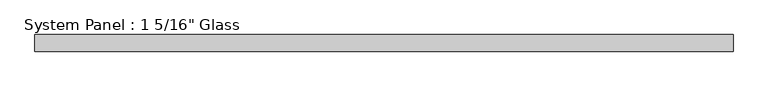
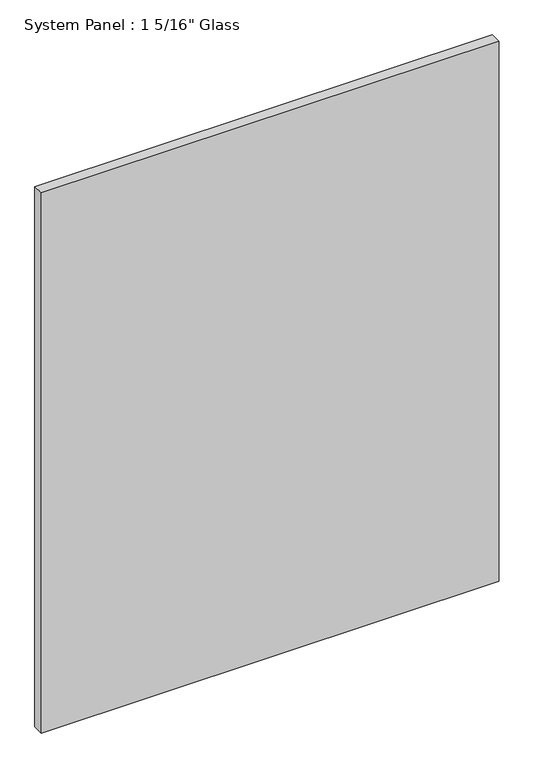
"""IFC4 building model written with IfcOpenShell, lengths in millimetres: plate geometry."""

from ifc_helpers import new_model, si_unit, origin, origin_with_axes, place, context, project, spatial, polyline, outline, extrude, source, transform, mapped, element, save


def plate_01007467(model_context):
    return source(origin(), model_context, "Body", "SweptSolid", [
        extrude(outline(polyline([(682.228125, -16.66875), (-682.228125, -16.66875), (-682.228125, 16.66875), (682.228125, 16.66875), (682.228125, -16.66875)])), origin_with_axes(), (0.0, 0.0, 1.0), 1701.8),
    ])


if __name__ == "__main__":
    model = new_model("IFC4")
    model_context = context("Model", 3, world=origin())
    ifc_project = project(units=[si_unit("LENGTHUNIT", "METRE", prefix="MILLI")], contexts=[model_context])
    site = spatial("IfcSite", under=ifc_project)
    building = spatial("IfcBuilding", under=site)
    placement = place(None, origin())
    plate_shape = plate_01007467(model_context)
    element("IfcPlate", 1, ObjectType="System Panel : 1 5/16\" Glass", at=placement, inside=building, context=model_context, shape_type="MappedRepresentation", body=[
        mapped(plate_shape, transform((0.0, 0.0, 0.0), x_axis=(1.0, 0.0, 0.0), y_axis=(0.0, 1.0, 0.0), z_axis=(0.0, 0.0, 1.0))),
    ])
    save(model, "model.ifc")
